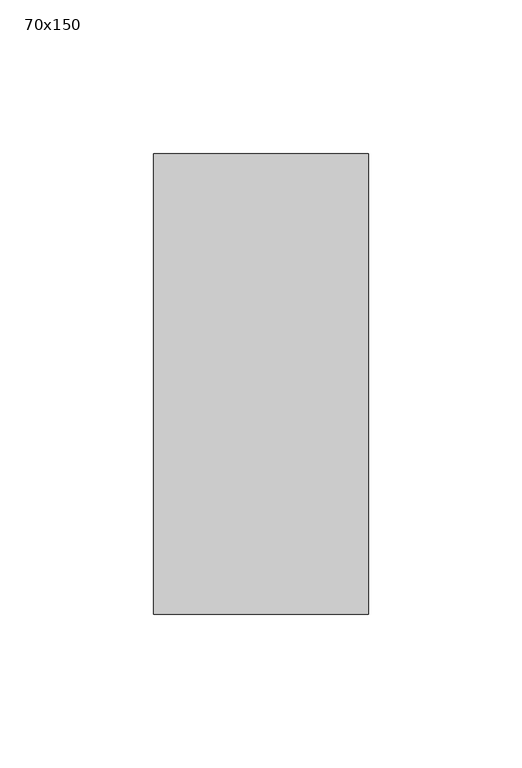
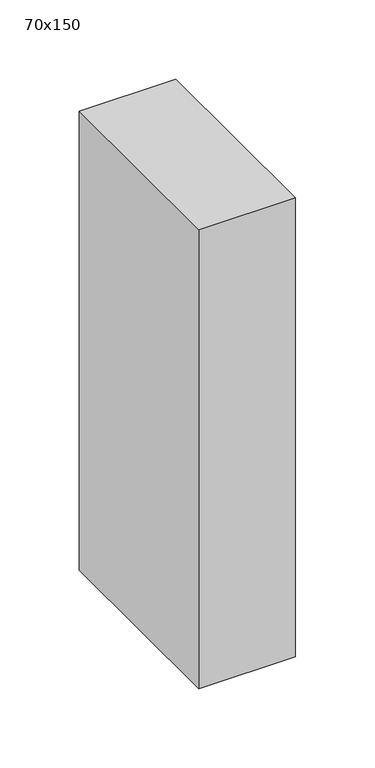
"""IFC4 building model written with IfcOpenShell, lengths in millimetres: member geometry, 70x150."""

from ifc_helpers import new_model, si_unit, frame, origin, place, context, project, spatial, polyline, outline, extrude, source, transform, mapped, element, save


def member_70x150_e418e2be(model_context):
    return source(origin(), model_context, "Body", "SweptSolid", [
        extrude(outline(polyline([(0.0, 75.0), (0.0, -75.0), (-70.0, -75.0), (-70.0, 75.0), (0.0, 75.0)])), frame((0.0, 0.0, -352.1424229), z_axis=(0.0, 0.0, 1.0), x_axis=(1.0, 0.0, 0.0)), (0.0, 0.0, 1.0), 352.1424229),
    ])


if __name__ == "__main__":
    model = new_model("IFC4")
    model_context = context("Model", 3, world=origin())
    ifc_project = project(units=[si_unit("LENGTHUNIT", "METRE", prefix="MILLI")], contexts=[model_context])
    site = spatial("IfcSite", under=ifc_project)
    building = spatial("IfcBuilding", under=site)
    placement = place(None, origin())
    member_70x150_shape = member_70x150_e418e2be(model_context)
    element("IfcMember", 1, ObjectType="70x150", at=placement, inside=building, context=model_context, shape_type="MappedRepresentation", body=[
        mapped(member_70x150_shape, transform((0.0, 0.0, 0.0), x_axis=(1.0, 0.0, 0.0), y_axis=(0.0, 1.0, 0.0), z_axis=(0.0, 0.0, 1.0))),
    ])
    save(model, "model.ifc")
